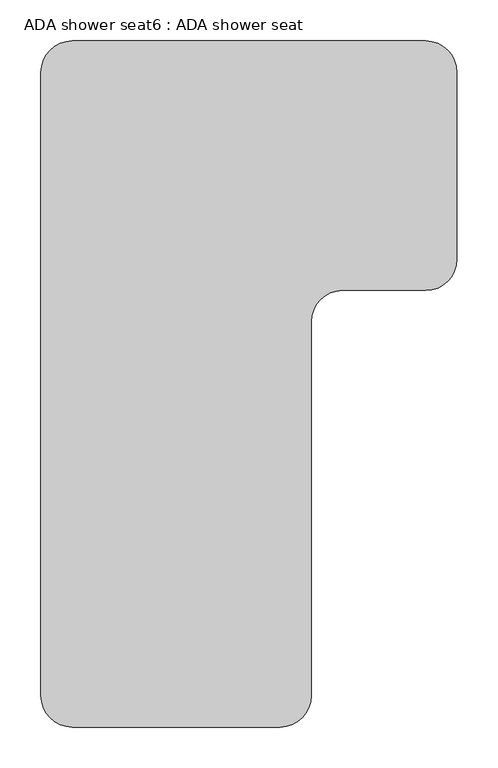
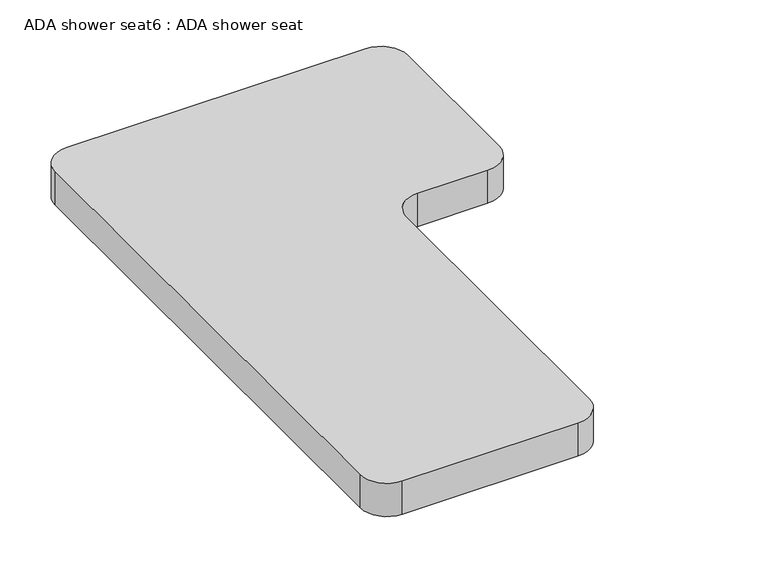
"""IFC4 building model written with IfcOpenShell, lengths in millimetres: proxy geometry, ADA shower seat6 : ADA shower seat."""

from ifc_helpers import new_model, si_unit, point, frame, frame_2d, origin, place, context, project, spatial, polyline, circle_curve, trimmed, segment, composite_curve, outline, extrude, source, transform, mapped, element, save


def ada_shower_seat6_ada_shower_seat_e0b10f38(model_context):
    return source(origin(), model_context, "Body", "SweptSolid", [
        extrude(outline(composite_curve([segment(trimmed(circle_curve(frame_2d((1036.856417, 51689.6387104)), 38.1), [point((1036.856417, 51727.7387104))], [point((1074.956417, 51689.6387104))], False, "CARTESIAN"), True, "CONTINUOUS"), segment(polyline([(1074.956417, 51689.6387104), (1074.956417, 51461.0387104)]), True, "CONTINUOUS"), segment(trimmed(circle_curve(frame_2d((1036.856417, 51461.0387104)), 38.1), [point((1074.956417, 51461.0387104))], [point((1036.856417, 51422.9387104))], False, "CARTESIAN"), True, "CONTINUOUS"), segment(polyline([(1036.856417, 51422.9387104), (935.256417, 51422.9387104)]), True, "CONTINUOUS"), segment(trimmed(circle_curve(frame_2d((935.256417, 51384.8387104)), 38.1), [point((935.256417, 51422.9387104))], [point((897.156417, 51384.8387104))], True, "CARTESIAN"), True, "CONTINUOUS"), segment(polyline([(897.156417, 51384.8387104), (897.156417, 50927.6387104)]), True, "CONTINUOUS"), segment(trimmed(circle_curve(frame_2d((859.056417, 50927.6387104)), 38.1), [point((897.156417, 50927.6387104))], [point((859.056417, 50889.5387104))], False, "CARTESIAN"), True, "CONTINUOUS"), segment(polyline([(859.056417, 50889.5387104), (605.056417, 50889.5387104)]), True, "CONTINUOUS"), segment(trimmed(circle_curve(frame_2d((605.056417, 50927.6387104)), 38.1), [point((605.056417, 50889.5387104))], [point((566.956417, 50927.6387104))], False, "CARTESIAN"), True, "CONTINUOUS"), segment(polyline([(566.956417, 50927.6387104), (566.956417, 51689.6387104)]), True, "CONTINUOUS"), segment(trimmed(circle_curve(frame_2d((605.056417, 51689.6387104)), 38.1), [point((566.956417, 51689.6387104))], [point((605.056417, 51727.7387104))], False, "CARTESIAN"), True, "CONTINUOUS"), segment(polyline([(605.056417, 51727.7387104), (1036.856417, 51727.7387104)]), True, "CONTINUOUS")], self_intersect=False)), frame((0.0, 0.0, 406.4), z_axis=(0.0, 0.0, 1.0), x_axis=(1.0, 0.0, 0.0)), (0.0, 0.0, 1.0), 50.8),
    ])


if __name__ == "__main__":
    model = new_model("IFC4")
    model_context = context("Model", 3, world=origin())
    ifc_project = project(units=[si_unit("LENGTHUNIT", "METRE", prefix="MILLI")], contexts=[model_context])
    site = spatial("IfcSite", under=ifc_project)
    building = spatial("IfcBuilding", under=site)
    placement = place(None, origin())
    ada_shower_seat6_ada_shower_seat_shape = ada_shower_seat6_ada_shower_seat_e0b10f38(model_context)
    element("IfcBuildingElementProxy", 1, Name="ADA shower seat6 : ADA shower seat", ObjectType="ADA shower seat6 : ADA shower seat", at=placement, inside=building, context=model_context, shape_type="MappedRepresentation", body=[
        mapped(ada_shower_seat6_ada_shower_seat_shape, transform((0.0, 0.0, 0.0), x_axis=(1.0, 0.0, 0.0), y_axis=(0.0, 1.0, 0.0), z_axis=(0.0, 0.0, 1.0))),
    ])
    save(model, "model.ifc")
